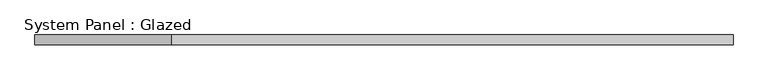
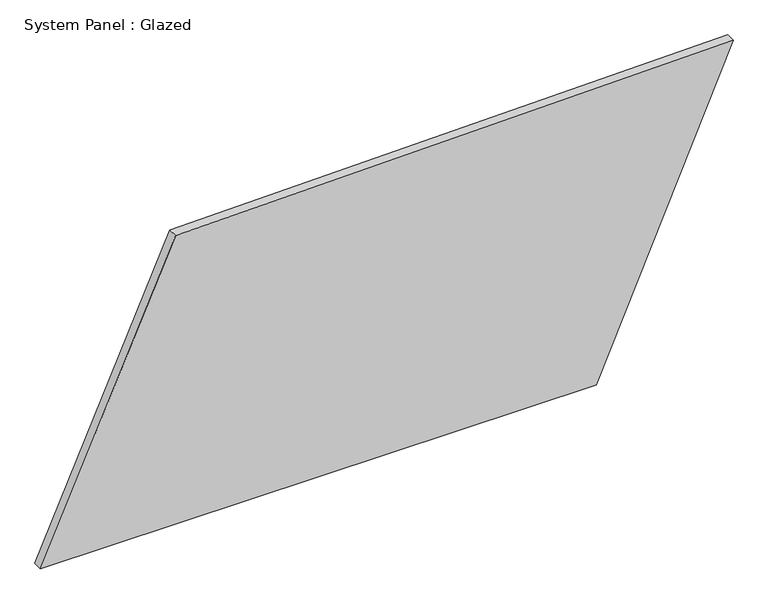
"""IFC4 building model written with IfcOpenShell, lengths in millimetres: plate geometry, System Panel : Glazed."""

from ifc_helpers import new_model, si_unit, frame, origin, place, context, project, spatial, polyline, outline, extrude, source, transform, mapped, element, save


def system_panel_glazed_bf2c1878(model_context):
    return source(origin(), model_context, "Body", "SweptSolid", [
        extrude(outline(polyline([(0.0, -895.6689242), (0.0, 542.3396856), (819.3798827, 895.6689242), (790.2559582, -546.3350494), (0.0, -895.6689242)])), frame((0.0, -49.5, 0.0), z_axis=(0.0, 1.0, 0.0), x_axis=(0.0, 0.0, 1.0)), (0.0, 0.0, 1.0), 25.0),
    ])


if __name__ == "__main__":
    model = new_model("IFC4")
    model_context = context("Model", 3, world=origin())
    ifc_project = project(units=[si_unit("LENGTHUNIT", "METRE", prefix="MILLI")], contexts=[model_context])
    site = spatial("IfcSite", under=ifc_project)
    building = spatial("IfcBuilding", under=site)
    placement = place(None, origin())
    system_panel_glazed_shape = system_panel_glazed_bf2c1878(model_context)
    element("IfcPlate", 1, ObjectType="System Panel : Glazed", at=placement, inside=building, context=model_context, shape_type="MappedRepresentation", body=[
        mapped(system_panel_glazed_shape, transform((0.0, 0.0, 0.0), x_axis=(1.0, 0.0, 0.0), y_axis=(0.0, 1.0, 0.0), z_axis=(0.0, 0.0, 1.0))),
    ])
    save(model, "model.ifc")
